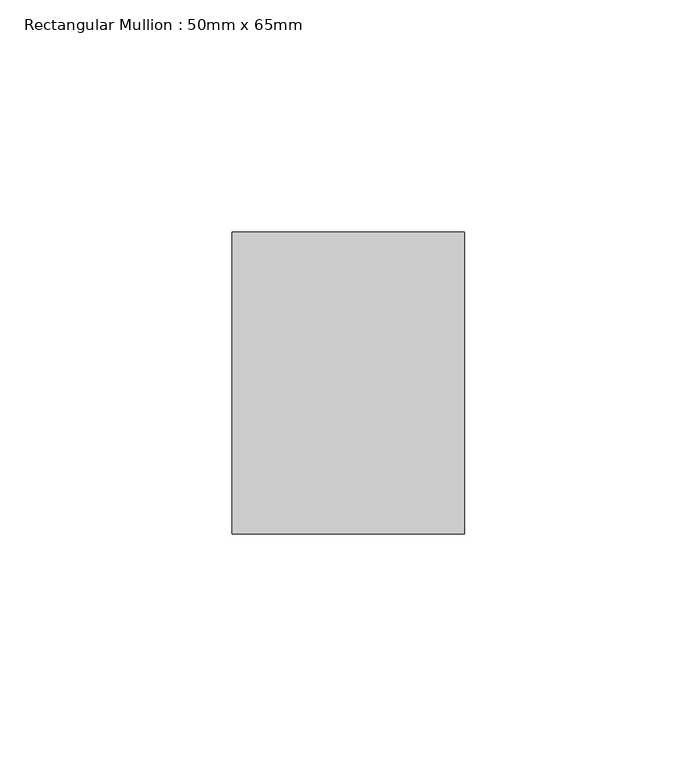
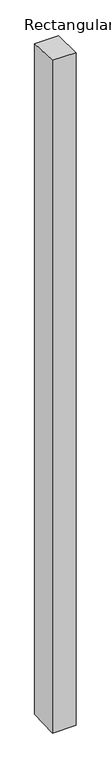
"""IFC4 building model written with IfcOpenShell, lengths in millimetres: member geometry, Rectangular Mullion : 50mm x 65mm."""

from ifc_helpers import new_model, si_unit, origin, place, context, project, spatial, faceted_brep, source, transform, mapped, element, save


def rectangular_mullion_50mm_x_65mm_4aa0cd12(model_context):
    return source(origin(), model_context, "Body", "Brep", [
        faceted_brep([(-25.0, 32.5, -1.1419571), (25.0, 32.5, -1.1419436), (25.0, 32.5, -1498.5324039), (-25.0, 32.5, -1498.5323865), (-25.0, -32.5, 1.1419436), (-25.0, -32.5, -1501.4677371), (25.0, -32.5, 1.1419571), (25.0, -32.5, -1501.4677545)], [[[0, 1, 2, 3]], [[4, 0, 3, 5]], [[6, 4, 5, 7]], [[1, 6, 7, 2]], [[1, 0, 4, 6]], [[2, 7, 5, 3]]]),
    ])


if __name__ == "__main__":
    model = new_model("IFC4")
    model_context = context("Model", 3, world=origin())
    ifc_project = project(units=[si_unit("LENGTHUNIT", "METRE", prefix="MILLI")], contexts=[model_context])
    site = spatial("IfcSite", under=ifc_project)
    building = spatial("IfcBuilding", under=site)
    placement = place(None, origin())
    rectangular_mullion_50mm_x_65mm_shape = rectangular_mullion_50mm_x_65mm_4aa0cd12(model_context)
    element("IfcMember", 1, ObjectType="Rectangular Mullion : 50mm x 65mm", at=placement, inside=building, context=model_context, shape_type="MappedRepresentation", body=[
        mapped(rectangular_mullion_50mm_x_65mm_shape, transform((0.0, 0.0, 0.0), x_axis=(1.0, 0.0, 0.0), y_axis=(0.0, 1.0, 0.0), z_axis=(0.0, 0.0, 1.0))),
    ])
    save(model, "model.ifc")
